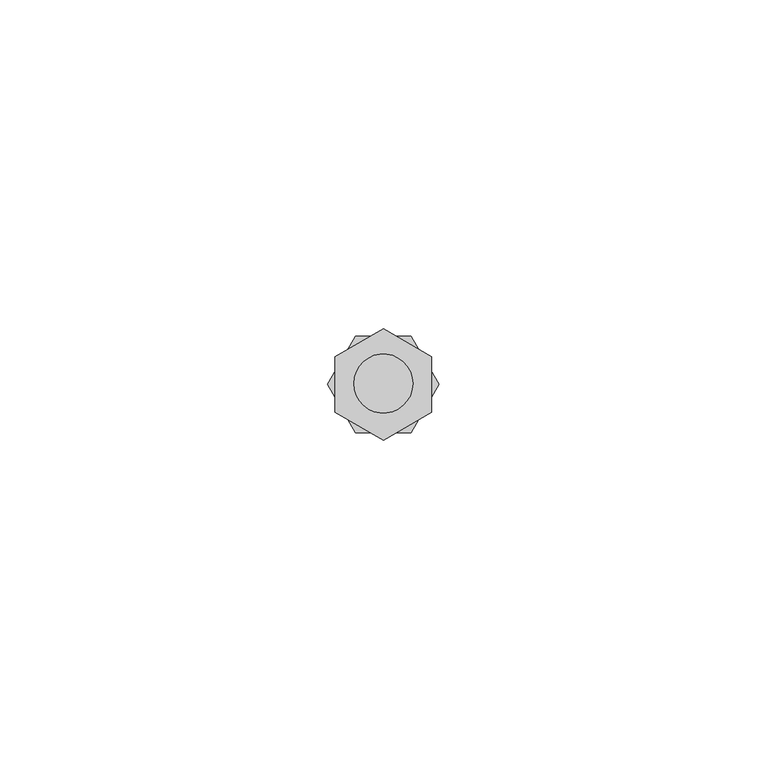
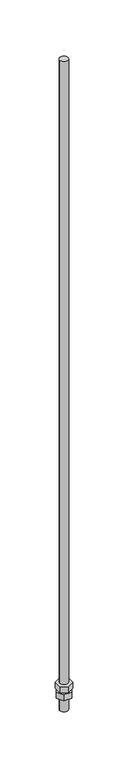
"""IFC4 building model written with IfcOpenShell, lengths in millimetres: fastener geometry."""

from ifc_helpers import new_model, si_unit, point, frame, frame_2d, origin, place, context, project, spatial, polyline, circle_curve, trimmed, segment, composite_curve, outline, extrude, source, transform, mapped, element, save


def fastener_edd95278(model_context):
    return source(origin(), model_context, "Body", "SweptSolid", [
        extrude(outline(polyline([(8351.4050589, 1683.4385704), (8344.0556392, 1679.1953809), (8336.7062194, 1683.4385704), (8336.7062194, 1691.9249493), (8344.0556392, 1696.1681388), (8351.4050589, 1691.9249493), (8351.4050589, 1683.4385704)])), frame((0.0, 0.0, 120.0), z_axis=(0.0, 0.0, 1.0), x_axis=(1.0, 0.0, 0.0)), (0.0, 0.0, 1.0), 7.0),
        extrude(outline(polyline([(8352.5420181, 1687.6817598), (8348.2988286, 1680.3323401), (8339.8124497, 1680.3323401), (8335.5692602, 1687.6817598), (8339.8124497, 1695.0311796), (8348.2988286, 1695.0311796), (8352.5420181, 1687.6817598)])), frame((0.0, 0.0, 111.0), z_axis=(0.0, 0.0, 1.0), x_axis=(1.0, 0.0, 0.0)), (0.0, 0.0, 1.0), 7.0),
        extrude(outline(composite_curve([segment(trimmed(circle_curve(frame_2d((8344.0556392, 1687.6817598)), 4.5), [point((8339.5556392, 1687.6817598))], [point((8348.5556392, 1687.6817598))], False, "CARTESIAN"), True, "CONTINUOUS"), segment(trimmed(circle_curve(frame_2d((8344.0556392, 1687.6817598)), 4.5), [point((8348.5556392, 1687.6817598))], [point((8339.5556392, 1687.6817598))], False, "CARTESIAN"), True, "CONTINUOUS")], self_intersect=False)), frame((0.0, 0.0, 95.3122465), z_axis=(0.0, 0.0, 1.0), x_axis=(1.0, 0.0, 0.0)), (0.0, 0.0, 1.0), 764.9970752),
    ])


if __name__ == "__main__":
    model = new_model("IFC4")
    model_context = context("Model", 3, world=origin())
    ifc_project = project(units=[si_unit("LENGTHUNIT", "METRE", prefix="MILLI")], contexts=[model_context])
    site = spatial("IfcSite", under=ifc_project)
    building = spatial("IfcBuilding", under=site)
    placement = place(None, origin())
    fastener_shape = fastener_edd95278(model_context)
    element("IfcFastener", 1, at=placement, inside=building, context=model_context, shape_type="MappedRepresentation", body=[
        mapped(fastener_shape, transform((0.0, 0.0, 0.0), x_axis=(1.0, 0.0, 0.0), y_axis=(0.0, 1.0, 0.0), z_axis=(0.0, 0.0, 1.0))),
    ])
    save(model, "model.ifc")
